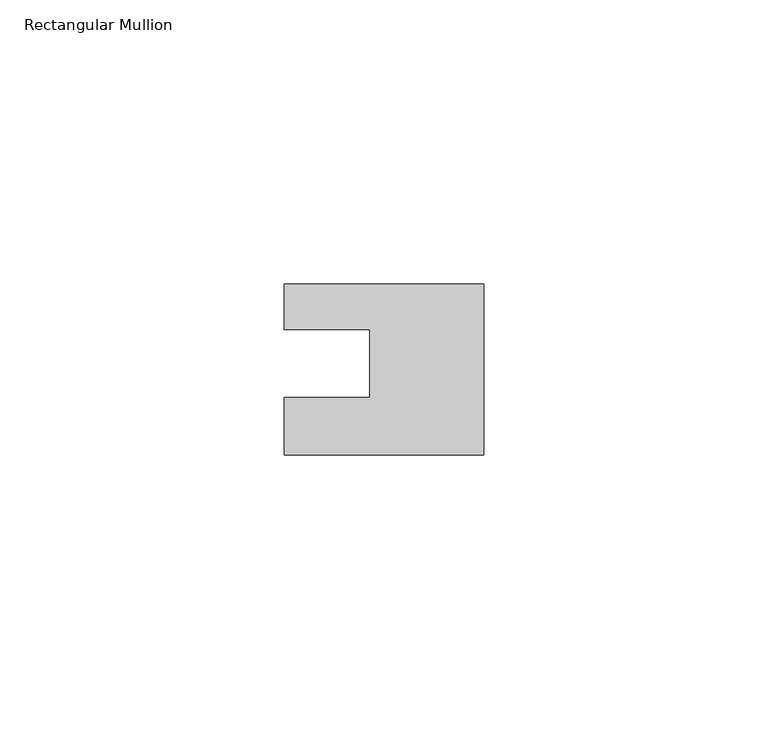
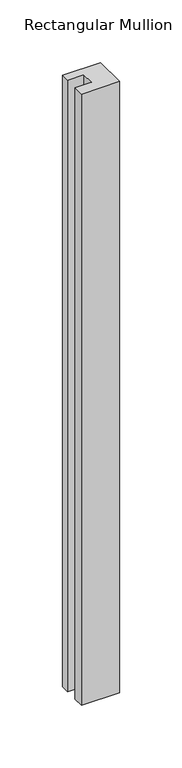
"""IFC4 building model written with IfcOpenShell, lengths in millimetres: member geometry, Rectangular Mullion."""

import ifcopenshell
import ifcopenshell.guid

model = None  # the IFC model being written
_history = None  # IfcOwnerHistory: only IFC2X3 demands one
_inside = {}  # id of a spatial element -> (the spatial element, [elements in it])
_under = {}  # id of a project, library or spatial element -> (it, [spatial elements below it])
_declared = {}  # id of a project -> (the project, [libraries it declares])
_typed = {}  # id of a type object -> (the type object, [elements of that type])
_made_of = {}  # id of a material, layer set ... -> (it, [elements and type objects made of it])


def new_model(schema):
    """Start an empty IFC model of exactly this schema.

    Asked for "IFC4X3", IfcOpenShell would pick the latest addendum, in which some entities
    have other attributes; the version numbers below select the first issue.
    IFC2X3 requires an IfcOwnerHistory on every rooted entity: one is made here for all.
    """
    global model, _history
    if schema == "IFC4X3":
        model = ifcopenshell.file(schema_version=(4, 3, 0, 0))
    else:
        model = ifcopenshell.file(schema=schema)
    _inside.clear()
    _under.clear()
    _declared.clear()
    _typed.clear()
    _made_of.clear()
    _history = None
    if model.schema == "IFC2X3":
        org = make("IfcOrganization", Name="unknown")
        user = make(
            "IfcPersonAndOrganization",
            ThePerson=make("IfcPerson", FamilyName="unknown"),
            TheOrganization=org,
        )
        app = make(
            "IfcApplication",
            ApplicationDeveloper=org,
            Version="unknown",
            ApplicationFullName="unknown",
            ApplicationIdentifier="unknown",
        )
        _history = make(
            "IfcOwnerHistory",
            OwningUser=user,
            OwningApplication=app,
            ChangeAction="ADDED",
            CreationDate=0,
        )
    return model


def make(cls, **values):
    """One entity of the class cls with the attributes given. An attribute that is None is left unset."""
    return model.create_entity(
        cls, **{name: value for name, value in values.items() if value is not None}
    )


def rooted(cls, **values):
    """An entity with a GlobalId (a new one), such as an element, a storey or a relation."""
    return make(cls, GlobalId=ifcopenshell.guid.new(), OwnerHistory=_history, **values)


def si_unit(unit_type, name, prefix=None):
    """IfcSIUnit, for example si_unit("LENGTHUNIT", "METRE", prefix="MILLI")."""
    return make("IfcSIUnit", UnitType=unit_type, Prefix=prefix, Name=name)


def assignment(units):
    """IfcUnitAssignment: the units of a project."""
    return None if units is None else make("IfcUnitAssignment", Units=units)


def point(xyz):
    """IfcCartesianPoint."""
    return None if xyz is None else make("IfcCartesianPoint", Coordinates=xyz)


def direction(xyz):
    """IfcDirection."""
    return None if xyz is None else make("IfcDirection", DirectionRatios=xyz)


def frame(location, z_axis=None, x_axis=None):
    """IfcAxis2Placement3D, a coordinate frame: its origin and axes. An axis left out is left unset."""
    return make(
        "IfcAxis2Placement3D",
        Location=point(location),
        Axis=direction(z_axis),
        RefDirection=direction(x_axis),
    )


def origin():
    """The frame at (0, 0, 0) with its axes left unset."""
    return frame((0.0, 0.0, 0.0))


def place(relative_to, where):
    """IfcLocalPlacement: puts the frame where relative to a parent placement (None: the world)."""
    return make(
        "IfcLocalPlacement", PlacementRelTo=relative_to, RelativePlacement=where
    )


def context(
    kind, dimensions, precision=None, world=None, true_north=None, identifier=None
):
    """IfcGeometricRepresentationContext, for example the 3D "Model" context."""
    return make(
        "IfcGeometricRepresentationContext",
        ContextIdentifier=identifier,
        ContextType=kind,
        CoordinateSpaceDimension=dimensions,
        Precision=precision,
        WorldCoordinateSystem=world,
        TrueNorth=true_north,
    )


def project(units=None, contexts=None):
    """IfcProject with its units and contexts."""
    return rooted(
        "IfcProject",
        Name="project",
        RepresentationContexts=contexts,
        UnitsInContext=assignment(units),
    )


def spatial(cls, under=None, at=None, **own):
    """A site, building, storey or space (cls), placed at a placement, below another one or the project."""
    s = rooted(cls, ObjectPlacement=at, **own)
    if under is not None:
        _under.setdefault(under.id(), (under, []))[1].append(s)
    return s


def polyline(points):
    """IfcPolyline through the points."""
    return make("IfcPolyline", Points=[point(p) for p in points])


def outline(outer, holes=None, kind="AREA"):
    """IfcArbitraryClosedProfileDef: a profile drawn as a closed curve; with holes, ...WithVoids."""
    if holes is None:
        return make("IfcArbitraryClosedProfileDef", ProfileType=kind, OuterCurve=outer)
    return make(
        "IfcArbitraryProfileDefWithVoids",
        ProfileType=kind,
        OuterCurve=outer,
        InnerCurves=holes,
    )


def extrude(swept, where, along, depth):
    """IfcExtrudedAreaSolid: the profile swept, set in the frame where, extruded along a direction by depth."""
    return make(
        "IfcExtrudedAreaSolid",
        SweptArea=swept,
        Position=where,
        ExtrudedDirection=direction(along),
        Depth=depth,
    )


def shape(context_of_items, identifier, shape_type, items):
    """IfcShapeRepresentation: the items that make up one representation, for example the "Body"."""
    return make(
        "IfcShapeRepresentation",
        ContextOfItems=context_of_items,
        RepresentationIdentifier=identifier,
        RepresentationType=shape_type,
        Items=items,
    )


def source(mapping_origin, context_of_items, identifier, shape_type, items):
    """IfcRepresentationMap: a shape defined once, which mapped items show again and again."""
    return make(
        "IfcRepresentationMap",
        MappingOrigin=mapping_origin,
        MappedRepresentation=shape(context_of_items, identifier, shape_type, items),
    )


def transform(
    local_origin,
    x_axis=None,
    y_axis=None,
    z_axis=None,
    scale=None,
    scale2=None,
    scale3=None,
    uniform=True,
):
    """IfcCartesianTransformationOperator3D, or its non-uniform kind. x_axis, y_axis, z_axis: its Axis1, 2, 3."""
    if uniform:
        return make(
            "IfcCartesianTransformationOperator3D",
            Axis1=direction(x_axis),
            Axis2=direction(y_axis),
            LocalOrigin=point(local_origin),
            Scale=scale,
            Axis3=direction(z_axis),
        )
    return make(
        "IfcCartesianTransformationOperator3DnonUniform",
        Axis1=direction(x_axis),
        Axis2=direction(y_axis),
        LocalOrigin=point(local_origin),
        Scale=scale,
        Axis3=direction(z_axis),
        Scale2=scale2,
        Scale3=scale3,
    )


def mapped(mapping_source, mapping_target):
    """IfcMappedItem: shows the shape of a source again, moved by a transform."""
    return make(
        "IfcMappedItem", MappingSource=mapping_source, MappingTarget=mapping_target
    )


def made_of(thing, what):
    """Note that an element or type object is made of a material, layer set ...; save() writes the relation."""
    if what is not None:
        _made_of.setdefault(what.id(), (what, []))[1].append(thing)
    return thing


def element(
    cls,
    number,
    at=None,
    inside=None,
    cuts=None,
    type_object=None,
    material=None,
    context=None,
    identifier="Body",
    shape_type=None,
    held_by="IfcProductDefinitionShape",
    body=None,
    shapes=None,
    **own,
):
    """One element of the class cls, such as IfcWall. Its Tag is "e" and its number.

    at: its placement. inside: the storey or other place that contains it. cuts: it is an
    opening in that element (IfcRelVoidsElement). A single representation is given by context,
    identifier, shape_type and body (its items); several are given by shapes. held_by: the class
    of the entity that holds the representations. save() writes the other relations.
    """
    e = rooted(cls, Tag="e%d" % number, ObjectPlacement=at, **own)
    if body is not None:
        shapes = [shape(context, identifier, shape_type, body)]
    if shapes is not None:
        e.Representation = make(held_by, Representations=shapes)
    if inside is not None:
        _inside.setdefault(inside.id(), (inside, []))[1].append(e)
    if cuts is not None:
        rooted(
            "IfcRelVoidsElement", RelatingBuildingElement=cuts, RelatedOpeningElement=e
        )
    if type_object is not None:
        _typed.setdefault(type_object.id(), (type_object, []))[1].append(e)
    return made_of(e, material)


def aggregate(whole, parts):
    """IfcRelAggregates: a whole, such as a stair, and the parts it consists of."""
    return rooted("IfcRelAggregates", RelatingObject=whole, RelatedObjects=parts)


def save(model, path):
    """Write the relations noted so far, then the file.

    IfcRelAggregates (storeys below a building ...), IfcRelContainedInSpatialStructure (elements
    in a storey), IfcRelDefinesByType, IfcRelAssociatesMaterial and IfcRelDeclares: one each for
    every whole, place, type object, material and project.
    """
    for whole, parts in _under.values():
        aggregate(whole, parts)
    for where, things in _inside.values():
        rooted(
            "IfcRelContainedInSpatialStructure",
            RelatedElements=things,
            RelatingStructure=where,
        )
    for kind, things in _typed.values():
        rooted("IfcRelDefinesByType", RelatedObjects=things, RelatingType=kind)
    for what, things in _made_of.values():
        rooted("IfcRelAssociatesMaterial", RelatedObjects=things, RelatingMaterial=what)
    for by, libraries in _declared.values():
        rooted("IfcRelDeclares", RelatingContext=by, RelatedDefinitions=libraries)
    model.write(path)


def rectangular_mullion_97529937(model_context):
    return source(origin(), model_context, "Body", "SweptSolid", [
        extrude(outline(polyline([(0.0, 7.94), (0.0, -22.06), (-35.0, -22.06), (-35.0, -12.0), (-20.0, -12.0), (-20.0, 0.001), (-35.0, 0.001), (-35.0, 7.94), (0.0, 7.94)])), frame((0.0, 0.0, -594.8963605), z_axis=(0.0, 0.0, 1.0), x_axis=(1.0, 0.0, 0.0)), (0.0, 0.0, 1.0), 594.8963605),
    ])


if __name__ == "__main__":
    model = new_model("IFC4")
    model_context = context("Model", 3, world=origin())
    ifc_project = project(units=[si_unit("LENGTHUNIT", "METRE", prefix="MILLI")], contexts=[model_context])
    site = spatial("IfcSite", under=ifc_project)
    building = spatial("IfcBuilding", under=site)
    placement = place(None, origin())
    rectangular_mullion_shape = rectangular_mullion_97529937(model_context)
    element("IfcMember", 1, ObjectType="Rectangular Mullion", at=placement, inside=building, context=model_context, shape_type="MappedRepresentation", body=[
        mapped(rectangular_mullion_shape, transform((0.0, 0.0, 0.0), x_axis=(1.0, 0.0, 0.0), y_axis=(0.0, 1.0, 0.0), z_axis=(0.0, 0.0, 1.0))),
    ])
    save(model, "model.ifc")
